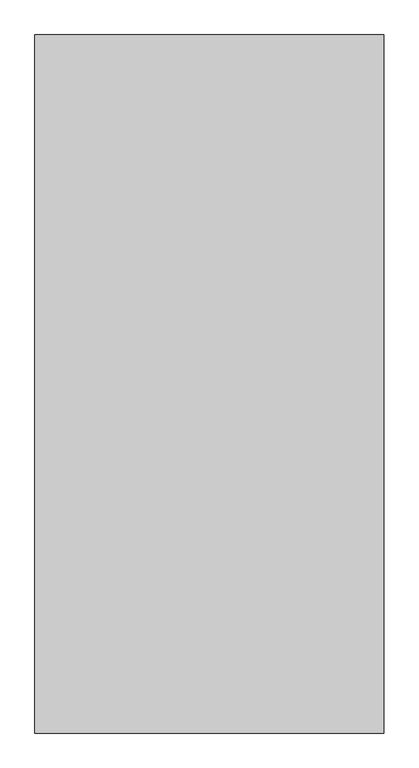
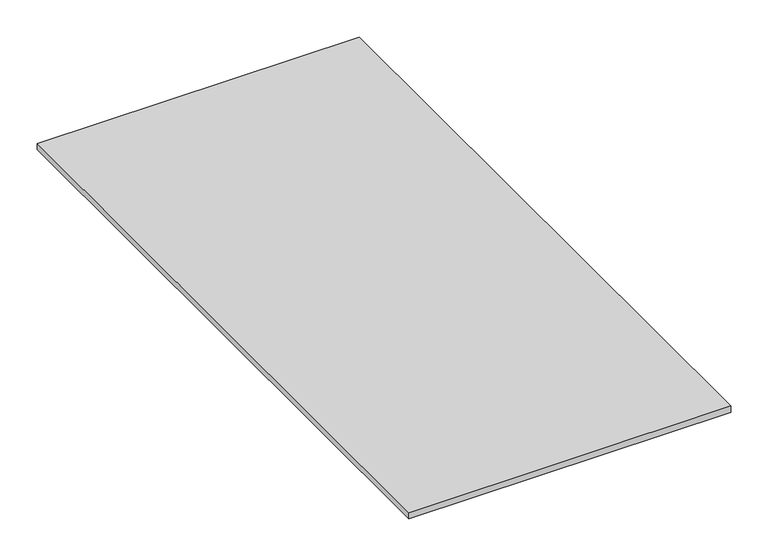
"""IFC4 building model written with IfcOpenShell, lengths in millimetres: proxy geometry."""

from ifc_helpers import new_model, si_unit, origin, origin_with_axes, place, context, project, spatial, polyline, outline, extrude, source, transform, mapped, element, save


def generic_models_1a3b7c56(model_context):
    return source(origin(), model_context, "Body", "SweptSolid", [
        extrude(outline(polyline([(-16829.2833082, 1847.1625159), (-16829.2833082, 847.1625159), (-17329.2833082, 847.1625159), (-17329.2833082, 1847.1625159), (-16829.2833082, 1847.1625159)])), origin_with_axes(), (0.0, 0.0, 1.0), 10.0),
    ])


if __name__ == "__main__":
    model = new_model("IFC4")
    model_context = context("Model", 3, world=origin())
    ifc_project = project(units=[si_unit("LENGTHUNIT", "METRE", prefix="MILLI")], contexts=[model_context])
    site = spatial("IfcSite", under=ifc_project)
    building = spatial("IfcBuilding", under=site)
    placement = place(None, origin())
    generic_models_shape = generic_models_1a3b7c56(model_context)
    element("IfcBuildingElementProxy", 1, Name="Generic Models", at=placement, inside=building, context=model_context, shape_type="MappedRepresentation", body=[
        mapped(generic_models_shape, transform((0.0, 0.0, 0.0), x_axis=(1.0, 0.0, 0.0), y_axis=(0.0, 1.0, 0.0), z_axis=(0.0, 0.0, 1.0))),
    ])
    save(model, "model.ifc")
